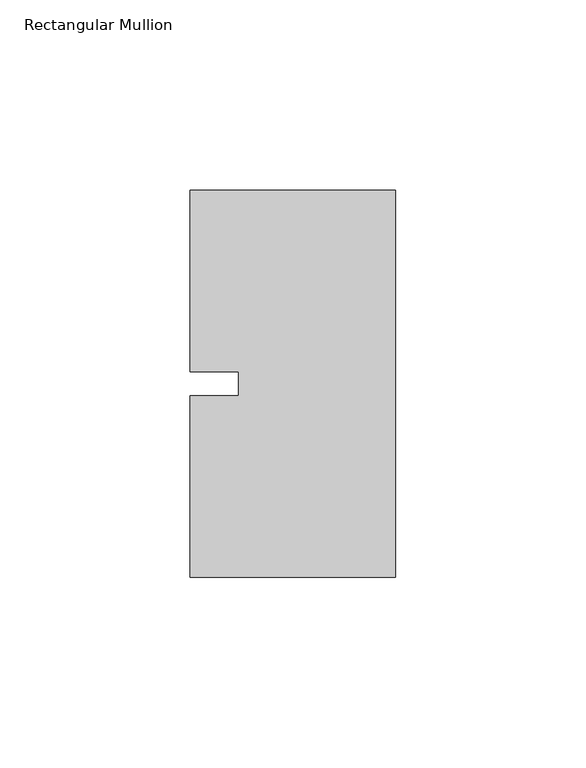
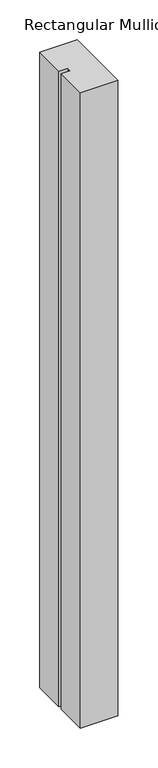
"""IFC4 building model written with IfcOpenShell, lengths in millimetres: member geometry, Rectangular Mullion."""

from ifc_helpers import new_model, si_unit, frame, origin, place, context, project, spatial, polyline, outline, extrude, source, transform, mapped, element, save


def rectangular_mullion_ca28a2a4(model_context):
    return source(origin(), model_context, "Body", "SweptSolid", [
        extrude(outline(polyline([(-53.975, 50.8), (0.0, 50.8), (0.0, -50.8), (-53.975, -50.8), (-53.975, -3.175), (-41.2732296, -3.175), (-41.2732296, 3.175), (-53.975, 3.175), (-53.975, 50.8)])), frame((0.0, 0.0, -971.55), z_axis=(0.0, 0.0, 1.0), x_axis=(1.0, 0.0, 0.0)), (0.0, 0.0, 1.0), 971.55),
    ])


if __name__ == "__main__":
    model = new_model("IFC4")
    model_context = context("Model", 3, world=origin())
    ifc_project = project(units=[si_unit("LENGTHUNIT", "METRE", prefix="MILLI")], contexts=[model_context])
    site = spatial("IfcSite", under=ifc_project)
    building = spatial("IfcBuilding", under=site)
    placement = place(None, origin())
    rectangular_mullion_shape = rectangular_mullion_ca28a2a4(model_context)
    element("IfcMember", 1, ObjectType="Rectangular Mullion", at=placement, inside=building, context=model_context, shape_type="MappedRepresentation", body=[
        mapped(rectangular_mullion_shape, transform((0.0, 0.0, 0.0), x_axis=(1.0, 0.0, 0.0), y_axis=(0.0, 1.0, 0.0), z_axis=(0.0, 0.0, 1.0))),
    ])
    save(model, "model.ifc")
